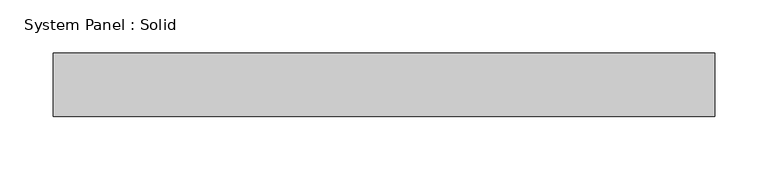
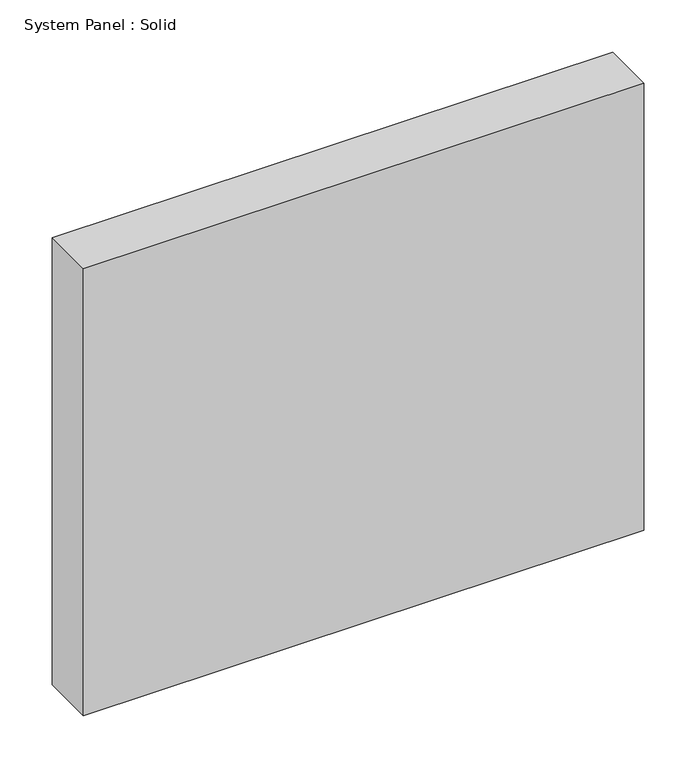
"""IFC4 building model written with IfcOpenShell, lengths in millimetres: plate geometry, System Panel : Solid."""

from ifc_helpers import new_model, si_unit, origin, origin_with_axes, place, context, project, spatial, polyline, outline, extrude, source, transform, mapped, element, save


def system_panel_solid_f54f93d3(model_context):
    return source(origin(), model_context, "Body", "SweptSolid", [
        extrude(outline(polyline([(311.25, -49.5), (-311.25, -49.5), (-311.25, 10.5), (311.25, 10.5), (311.25, -49.5)])), origin_with_axes(), (0.0, 0.0, 1.0), 525.0),
    ])


if __name__ == "__main__":
    model = new_model("IFC4")
    model_context = context("Model", 3, world=origin())
    ifc_project = project(units=[si_unit("LENGTHUNIT", "METRE", prefix="MILLI")], contexts=[model_context])
    site = spatial("IfcSite", under=ifc_project)
    building = spatial("IfcBuilding", under=site)
    placement = place(None, origin())
    system_panel_solid_shape = system_panel_solid_f54f93d3(model_context)
    element("IfcPlate", 1, ObjectType="System Panel : Solid", at=placement, inside=building, context=model_context, shape_type="MappedRepresentation", body=[
        mapped(system_panel_solid_shape, transform((0.0, 0.0, 0.0), x_axis=(1.0, 0.0, 0.0), y_axis=(0.0, 1.0, 0.0), z_axis=(0.0, 0.0, 1.0))),
    ])
    save(model, "model.ifc")
